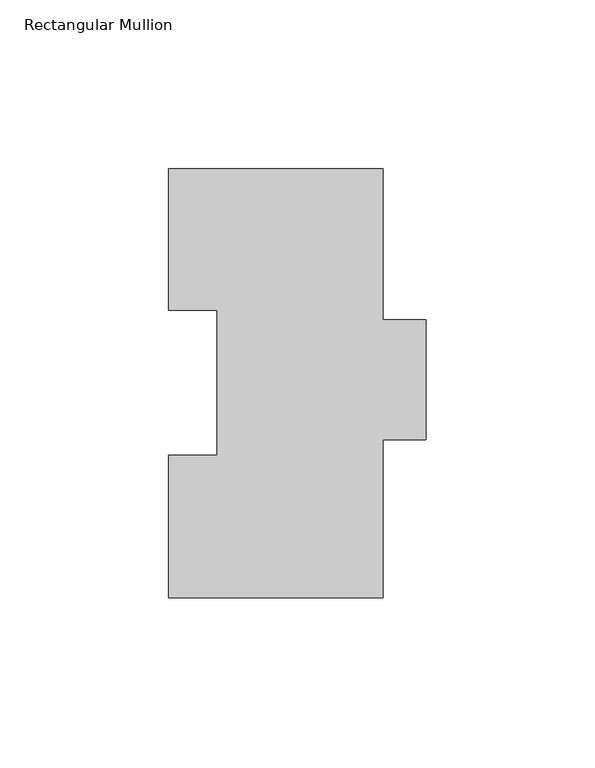
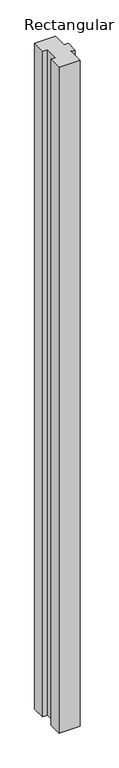
"""IFC4 building model written with IfcOpenShell, lengths in millimetres: member geometry, Rectangular Mullion."""

from ifc_helpers import new_model, si_unit, frame, origin, place, context, project, spatial, polyline, outline, extrude, source, transform, mapped, element, save


def rectangular_mullion_9348a58e(model_context):
    return source(origin(), model_context, "Body", "SweptSolid", [
        extrude(outline(polyline([(-31.75, 126.9888875), (31.75, 126.9888875), (31.75, 82.2848875), (44.45, 82.2848875), (44.45, 46.8201375), (31.75, 46.8201375), (31.75, -0.0111125), (-31.75, -0.0111125), (-31.75, 42.2798875), (-17.4625, 42.2798875), (-17.4625, 85.1296875), (-31.75, 85.1296875), (-31.75, 126.9888875)])), frame((0.0, 0.0, -2133.6), z_axis=(0.0, 0.0, 1.0), x_axis=(1.0, 0.0, 0.0)), (0.0, 0.0, 1.0), 2133.6),
    ])


if __name__ == "__main__":
    model = new_model("IFC4")
    model_context = context("Model", 3, world=origin())
    ifc_project = project(units=[si_unit("LENGTHUNIT", "METRE", prefix="MILLI")], contexts=[model_context])
    site = spatial("IfcSite", under=ifc_project)
    building = spatial("IfcBuilding", under=site)
    placement = place(None, origin())
    rectangular_mullion_shape = rectangular_mullion_9348a58e(model_context)
    element("IfcMember", 1, ObjectType="Rectangular Mullion", at=placement, inside=building, context=model_context, shape_type="MappedRepresentation", body=[
        mapped(rectangular_mullion_shape, transform((0.0, 0.0, 0.0), x_axis=(1.0, 0.0, 0.0), y_axis=(0.0, 1.0, 0.0), z_axis=(0.0, 0.0, 1.0))),
    ])
    save(model, "model.ifc")
